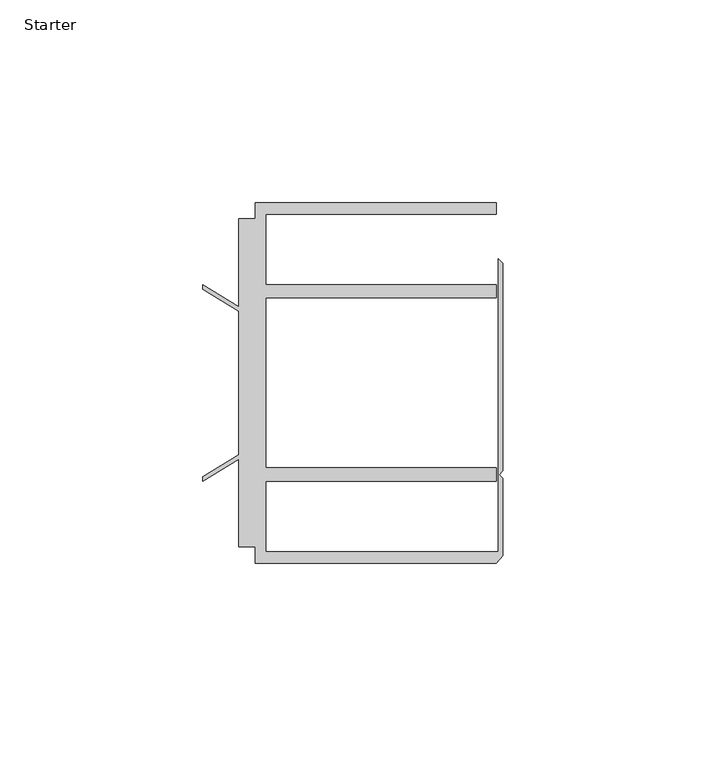
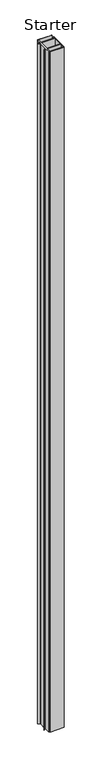
"""IFC4 building model written with IfcOpenShell, lengths in millimetres: furniture geometry, Starter."""

from ifc_helpers import new_model, si_unit, origin, origin_with_axes, place, context, project, spatial, polyline, outline, extrude, source, transform, mapped, element, save


def starter_c21257ad(model_context):
    return source(origin(), model_context, "Body", "SweptSolid", [
        extrude(outline(polyline([(33.9771533, 59.951805), (93.4771531, 59.951805), (93.4771531, 57.1518064), (36.5771534, 57.1518064), (36.5771534, 39.7518058), (93.4771531, 39.7518058), (93.4771531, 36.4518057), (36.5771534, 36.4518057), (36.5771534, -5.4481956), (93.4771531, -5.4481956), (93.4771531, -8.7481957), (36.5771534, -8.7481957), (36.5771534, -26.1481963), (93.9195633, -26.1481963), (93.9195633, 46.1177636), (95.0646531, 44.9726737), (95.0646531, -6.2135897), (94.1563205, -7.1219223), (95.0646531, -8.0302549), (95.0646531, -27.0760904), (93.4771531, -28.948195), (33.9771533, -28.948195), (33.9771533, -24.9481962), (29.9771531, -24.9481962), (29.9771531, -3.3413694), (21.0330919, -8.7481957), (21.0330919, -7.5934952), (29.9771531, -2.1866688), (29.9771531, 33.1902789), (21.0330919, 38.5971052), (21.0330919, 39.7518058), (29.9771531, 34.3449795), (29.9771531, 55.9518063), (33.9771533, 55.9518063), (33.9771533, 59.951805)])), origin_with_axes(), (0.0, 0.0, 1.0), 3048.0),
    ])


if __name__ == "__main__":
    model = new_model("IFC4")
    model_context = context("Model", 3, world=origin())
    ifc_project = project(units=[si_unit("LENGTHUNIT", "METRE", prefix="MILLI")], contexts=[model_context])
    site = spatial("IfcSite", under=ifc_project)
    building = spatial("IfcBuilding", under=site)
    placement = place(None, origin())
    starter_shape = starter_c21257ad(model_context)
    element("IfcFurniture", 1, ObjectType="Starter", at=placement, inside=building, context=model_context, shape_type="MappedRepresentation", body=[
        mapped(starter_shape, transform((0.0, 0.0, 0.0), x_axis=(1.0, 0.0, 0.0), y_axis=(0.0, 1.0, 0.0), z_axis=(0.0, 0.0, 1.0))),
    ])
    save(model, "model.ifc")
